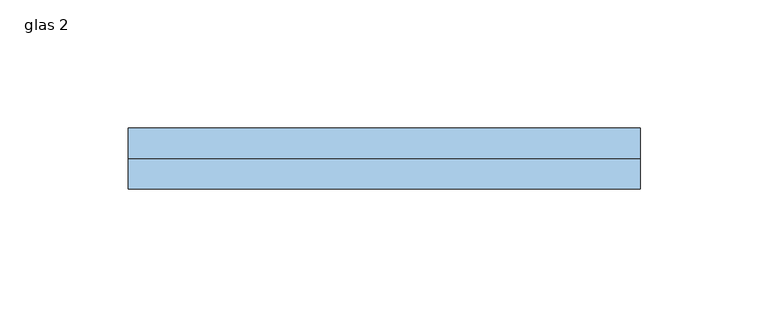
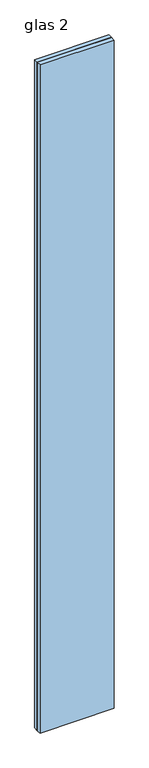
"""IFC4 building model written with IfcOpenShell, lengths in millimetres: window geometry, glas 2."""

import ifcopenshell
import ifcopenshell.guid

model = None  # the IFC model being written
_history = None  # IfcOwnerHistory: only IFC2X3 demands one
_inside = {}  # id of a spatial element -> (the spatial element, [elements in it])
_under = {}  # id of a project, library or spatial element -> (it, [spatial elements below it])
_declared = {}  # id of a project -> (the project, [libraries it declares])
_typed = {}  # id of a type object -> (the type object, [elements of that type])
_made_of = {}  # id of a material, layer set ... -> (it, [elements and type objects made of it])


def new_model(schema):
    """Start an empty IFC model of exactly this schema.

    Asked for "IFC4X3", IfcOpenShell would pick the latest addendum, in which some entities
    have other attributes; the version numbers below select the first issue.
    IFC2X3 requires an IfcOwnerHistory on every rooted entity: one is made here for all.
    """
    global model, _history
    if schema == "IFC4X3":
        model = ifcopenshell.file(schema_version=(4, 3, 0, 0))
    else:
        model = ifcopenshell.file(schema=schema)
    _inside.clear()
    _under.clear()
    _declared.clear()
    _typed.clear()
    _made_of.clear()
    _history = None
    if model.schema == "IFC2X3":
        org = make("IfcOrganization", Name="unknown")
        user = make(
            "IfcPersonAndOrganization",
            ThePerson=make("IfcPerson", FamilyName="unknown"),
            TheOrganization=org,
        )
        app = make(
            "IfcApplication",
            ApplicationDeveloper=org,
            Version="unknown",
            ApplicationFullName="unknown",
            ApplicationIdentifier="unknown",
        )
        _history = make(
            "IfcOwnerHistory",
            OwningUser=user,
            OwningApplication=app,
            ChangeAction="ADDED",
            CreationDate=0,
        )
    return model


def make(cls, **values):
    """One entity of the class cls with the attributes given. An attribute that is None is left unset."""
    return model.create_entity(
        cls, **{name: value for name, value in values.items() if value is not None}
    )


def rooted(cls, **values):
    """An entity with a GlobalId (a new one), such as an element, a storey or a relation."""
    return make(cls, GlobalId=ifcopenshell.guid.new(), OwnerHistory=_history, **values)


def si_unit(unit_type, name, prefix=None):
    """IfcSIUnit, for example si_unit("LENGTHUNIT", "METRE", prefix="MILLI")."""
    return make("IfcSIUnit", UnitType=unit_type, Prefix=prefix, Name=name)


def assignment(units):
    """IfcUnitAssignment: the units of a project."""
    return None if units is None else make("IfcUnitAssignment", Units=units)


def point(xyz):
    """IfcCartesianPoint."""
    return None if xyz is None else make("IfcCartesianPoint", Coordinates=xyz)


def direction(xyz):
    """IfcDirection."""
    return None if xyz is None else make("IfcDirection", DirectionRatios=xyz)


def frame(location, z_axis=None, x_axis=None):
    """IfcAxis2Placement3D, a coordinate frame: its origin and axes. An axis left out is left unset."""
    return make(
        "IfcAxis2Placement3D",
        Location=point(location),
        Axis=direction(z_axis),
        RefDirection=direction(x_axis),
    )


def origin():
    """The frame at (0, 0, 0) with its axes left unset."""
    return frame((0.0, 0.0, 0.0))


def origin_with_axes():
    """The frame at (0, 0, 0) with the z axis (0, 0, 1) and the x axis (1, 0, 0) written out."""
    return frame((0.0, 0.0, 0.0), z_axis=(0.0, 0.0, 1.0), x_axis=(1.0, 0.0, 0.0))


def place(relative_to, where):
    """IfcLocalPlacement: puts the frame where relative to a parent placement (None: the world)."""
    return make(
        "IfcLocalPlacement", PlacementRelTo=relative_to, RelativePlacement=where
    )


def context(
    kind, dimensions, precision=None, world=None, true_north=None, identifier=None
):
    """IfcGeometricRepresentationContext, for example the 3D "Model" context."""
    return make(
        "IfcGeometricRepresentationContext",
        ContextIdentifier=identifier,
        ContextType=kind,
        CoordinateSpaceDimension=dimensions,
        Precision=precision,
        WorldCoordinateSystem=world,
        TrueNorth=true_north,
    )


def project(units=None, contexts=None):
    """IfcProject with its units and contexts."""
    return rooted(
        "IfcProject",
        Name="project",
        RepresentationContexts=contexts,
        UnitsInContext=assignment(units),
    )


def spatial(cls, under=None, at=None, **own):
    """A site, building, storey or space (cls), placed at a placement, below another one or the project."""
    s = rooted(cls, ObjectPlacement=at, **own)
    if under is not None:
        _under.setdefault(under.id(), (under, []))[1].append(s)
    return s


def polyline(points):
    """IfcPolyline through the points."""
    return make("IfcPolyline", Points=[point(p) for p in points])


def outline(outer, holes=None, kind="AREA"):
    """IfcArbitraryClosedProfileDef: a profile drawn as a closed curve; with holes, ...WithVoids."""
    if holes is None:
        return make("IfcArbitraryClosedProfileDef", ProfileType=kind, OuterCurve=outer)
    return make(
        "IfcArbitraryProfileDefWithVoids",
        ProfileType=kind,
        OuterCurve=outer,
        InnerCurves=holes,
    )


def extrude(swept, where, along, depth):
    """IfcExtrudedAreaSolid: the profile swept, set in the frame where, extruded along a direction by depth."""
    return make(
        "IfcExtrudedAreaSolid",
        SweptArea=swept,
        Position=where,
        ExtrudedDirection=direction(along),
        Depth=depth,
    )


def shape(context_of_items, identifier, shape_type, items):
    """IfcShapeRepresentation: the items that make up one representation, for example the "Body"."""
    return make(
        "IfcShapeRepresentation",
        ContextOfItems=context_of_items,
        RepresentationIdentifier=identifier,
        RepresentationType=shape_type,
        Items=items,
    )


def source(mapping_origin, context_of_items, identifier, shape_type, items):
    """IfcRepresentationMap: a shape defined once, which mapped items show again and again."""
    return make(
        "IfcRepresentationMap",
        MappingOrigin=mapping_origin,
        MappedRepresentation=shape(context_of_items, identifier, shape_type, items),
    )


def transform(
    local_origin,
    x_axis=None,
    y_axis=None,
    z_axis=None,
    scale=None,
    scale2=None,
    scale3=None,
    uniform=True,
):
    """IfcCartesianTransformationOperator3D, or its non-uniform kind. x_axis, y_axis, z_axis: its Axis1, 2, 3."""
    if uniform:
        return make(
            "IfcCartesianTransformationOperator3D",
            Axis1=direction(x_axis),
            Axis2=direction(y_axis),
            LocalOrigin=point(local_origin),
            Scale=scale,
            Axis3=direction(z_axis),
        )
    return make(
        "IfcCartesianTransformationOperator3DnonUniform",
        Axis1=direction(x_axis),
        Axis2=direction(y_axis),
        LocalOrigin=point(local_origin),
        Scale=scale,
        Axis3=direction(z_axis),
        Scale2=scale2,
        Scale3=scale3,
    )


def mapped(mapping_source, mapping_target):
    """IfcMappedItem: shows the shape of a source again, moved by a transform."""
    return make(
        "IfcMappedItem", MappingSource=mapping_source, MappingTarget=mapping_target
    )


def made_of(thing, what):
    """Note that an element or type object is made of a material, layer set ...; save() writes the relation."""
    if what is not None:
        _made_of.setdefault(what.id(), (what, []))[1].append(thing)
    return thing


def element(
    cls,
    number,
    at=None,
    inside=None,
    cuts=None,
    type_object=None,
    material=None,
    context=None,
    identifier="Body",
    shape_type=None,
    held_by="IfcProductDefinitionShape",
    body=None,
    shapes=None,
    **own,
):
    """One element of the class cls, such as IfcWall. Its Tag is "e" and its number.

    at: its placement. inside: the storey or other place that contains it. cuts: it is an
    opening in that element (IfcRelVoidsElement). A single representation is given by context,
    identifier, shape_type and body (its items); several are given by shapes. held_by: the class
    of the entity that holds the representations. save() writes the other relations.
    """
    e = rooted(cls, Tag="e%d" % number, ObjectPlacement=at, **own)
    if body is not None:
        shapes = [shape(context, identifier, shape_type, body)]
    if shapes is not None:
        e.Representation = make(held_by, Representations=shapes)
    if inside is not None:
        _inside.setdefault(inside.id(), (inside, []))[1].append(e)
    if cuts is not None:
        rooted(
            "IfcRelVoidsElement", RelatingBuildingElement=cuts, RelatedOpeningElement=e
        )
    if type_object is not None:
        _typed.setdefault(type_object.id(), (type_object, []))[1].append(e)
    return made_of(e, material)


def aggregate(whole, parts):
    """IfcRelAggregates: a whole, such as a stair, and the parts it consists of."""
    return rooted("IfcRelAggregates", RelatingObject=whole, RelatedObjects=parts)


def save(model, path):
    """Write the relations noted so far, then the file.

    IfcRelAggregates (storeys below a building ...), IfcRelContainedInSpatialStructure (elements
    in a storey), IfcRelDefinesByType, IfcRelAssociatesMaterial and IfcRelDeclares: one each for
    every whole, place, type object, material and project.
    """
    for whole, parts in _under.values():
        aggregate(whole, parts)
    for where, things in _inside.values():
        rooted(
            "IfcRelContainedInSpatialStructure",
            RelatedElements=things,
            RelatingStructure=where,
        )
    for kind, things in _typed.values():
        rooted("IfcRelDefinesByType", RelatedObjects=things, RelatingType=kind)
    for what, things in _made_of.values():
        rooted("IfcRelAssociatesMaterial", RelatedObjects=things, RelatingMaterial=what)
    for by, libraries in _declared.values():
        rooted("IfcRelDeclares", RelatingContext=by, RelatedDefinitions=libraries)
    model.write(path)


def glas_2_959438eb(model_context):
    return source(origin(), model_context, "Body", "SweptSolid", [
        extrude(outline(polyline([(-100.0, 12.0), (100.0, 12.0), (100.0, 0.0), (-100.0, 0.0), (-100.0, 12.0)])), origin_with_axes(), (0.0, 0.0, 1.0), 1899.5),
        extrude(outline(polyline([(-100.0, 0.0), (100.0, 0.0), (100.0, -12.0), (-100.0, -12.0), (-100.0, 0.0)])), origin_with_axes(), (0.0, 0.0, 1.0), 1899.5),
    ])


if __name__ == "__main__":
    model = new_model("IFC4")
    model_context = context("Model", 3, world=origin())
    ifc_project = project(units=[si_unit("LENGTHUNIT", "METRE", prefix="MILLI")], contexts=[model_context])
    site = spatial("IfcSite", under=ifc_project)
    building = spatial("IfcBuilding", under=site)
    placement = place(None, origin())
    glas_2_shape = glas_2_959438eb(model_context)
    element("IfcWindow", 1, ObjectType="glas 2", at=placement, inside=building, context=model_context, shape_type="MappedRepresentation", body=[
        mapped(glas_2_shape, transform((0.0, 0.0, 0.0), x_axis=(1.0, 0.0, 0.0), y_axis=(0.0, 1.0, 0.0), z_axis=(0.0, 0.0, 1.0))),
    ])
    save(model, "model.ifc")
